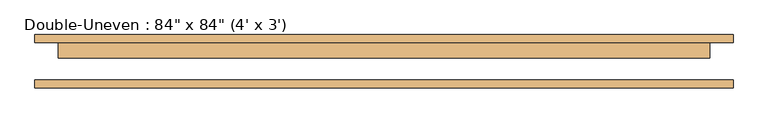
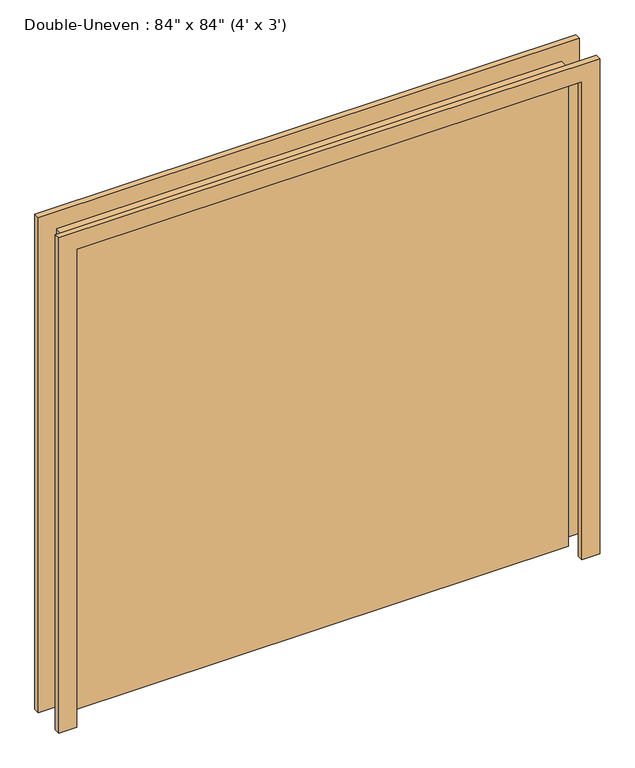
"""IFC4 building model written with IfcOpenShell, lengths in millimetres: door geometry."""

from ifc_helpers import new_model, si_unit, frame, origin, origin_with_axes, place, context, project, spatial, polyline, outline, extrude, source, transform, mapped, element, save


def door_637dcbd6(model_context):
    return source(origin(), model_context, "Body", "SweptSolid", [
        extrude(outline(polyline([(101.6, 61.9125), (101.6, 11.1125), (-2032.0, 11.1125), (-2032.0, 61.9125), (101.6, 61.9125)])), origin_with_axes(), (0.0, 0.0, 1.0), 2133.6),
        extrude(outline(polyline([(2133.6, -2032.0), (2133.6, 101.6), (0.0, 101.6), (0.0, 177.8), (2209.8, 177.8), (2209.8, -2108.2), (0.0, -2108.2), (0.0, -2032.0), (2133.6, -2032.0)])), frame((0.0, -87.3125, 0.0), z_axis=(0.0, 1.0, 0.0), x_axis=(0.0, 0.0, 1.0)), (0.0, 0.0, 1.0), 25.4),
        extrude(outline(polyline([(2133.6, -2032.0), (2133.6, 101.6), (0.0, 101.6), (0.0, 177.8), (2209.8, 177.8), (2209.8, -2108.2), (0.0, -2108.2), (0.0, -2032.0), (2133.6, -2032.0)])), frame((0.0, 61.9125, 0.0), z_axis=(0.0, 1.0, 0.0), x_axis=(0.0, 0.0, 1.0)), (0.0, 0.0, 1.0), 25.4),
    ])


if __name__ == "__main__":
    model = new_model("IFC4")
    model_context = context("Model", 3, world=origin())
    ifc_project = project(units=[si_unit("LENGTHUNIT", "METRE", prefix="MILLI")], contexts=[model_context])
    site = spatial("IfcSite", under=ifc_project)
    building = spatial("IfcBuilding", under=site)
    placement = place(None, origin())
    door_shape = door_637dcbd6(model_context)
    element("IfcDoor", 1, ObjectType="Double-Uneven : 84\" x 84\" (4' x 3')", at=placement, inside=building, context=model_context, shape_type="MappedRepresentation", body=[
        mapped(door_shape, transform((0.0, 0.0, 0.0), x_axis=(1.0, 0.0, 0.0), y_axis=(0.0, 1.0, 0.0), z_axis=(0.0, 0.0, 1.0))),
    ])
    save(model, "model.ifc")
